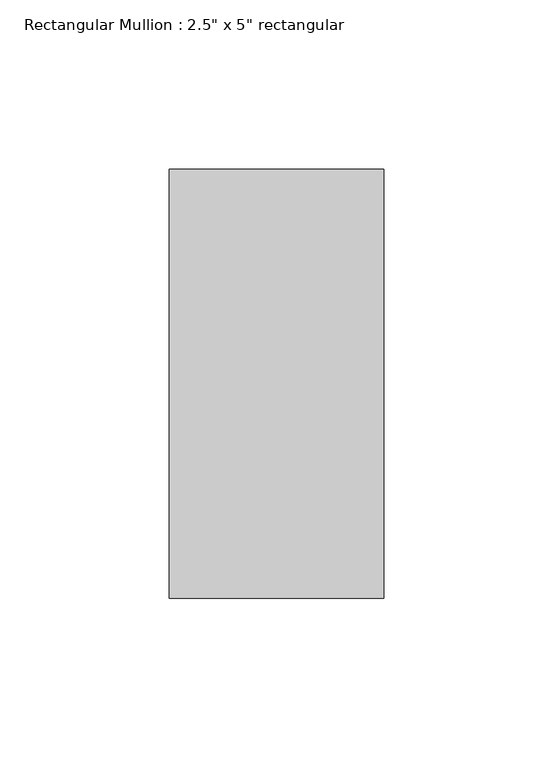
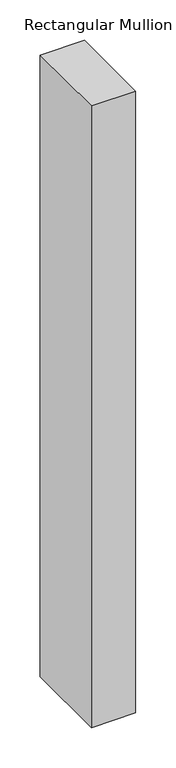
"""IFC4 building model written with IfcOpenShell, lengths in millimetres: member geometry."""

from ifc_helpers import new_model, si_unit, frame, origin, place, context, project, spatial, polyline, outline, extrude, source, transform, mapped, element, save


def member_f4fa69f7(model_context):
    return source(origin(), model_context, "Body", "SweptSolid", [
        extrude(outline(polyline([(31.75, 63.5), (31.75, -63.5), (-31.75, -63.5), (-31.75, 63.5), (31.75, 63.5)])), frame((0.0, 0.0, -941.34584), z_axis=(0.0, 0.0, 1.0), x_axis=(1.0, 0.0, 0.0)), (0.0, 0.0, 1.0), 941.34584),
    ])


if __name__ == "__main__":
    model = new_model("IFC4")
    model_context = context("Model", 3, world=origin())
    ifc_project = project(units=[si_unit("LENGTHUNIT", "METRE", prefix="MILLI")], contexts=[model_context])
    site = spatial("IfcSite", under=ifc_project)
    building = spatial("IfcBuilding", under=site)
    placement = place(None, origin())
    member_shape = member_f4fa69f7(model_context)
    element("IfcMember", 1, ObjectType="Rectangular Mullion : 2.5\" x 5\" rectangular", at=placement, inside=building, context=model_context, shape_type="MappedRepresentation", body=[
        mapped(member_shape, transform((0.0, 0.0, 0.0), x_axis=(1.0, 0.0, 0.0), y_axis=(0.0, 1.0, 0.0), z_axis=(0.0, 0.0, 1.0))),
    ])
    save(model, "model.ifc")
